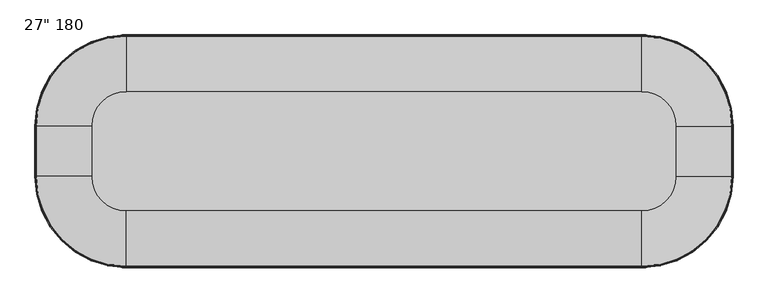
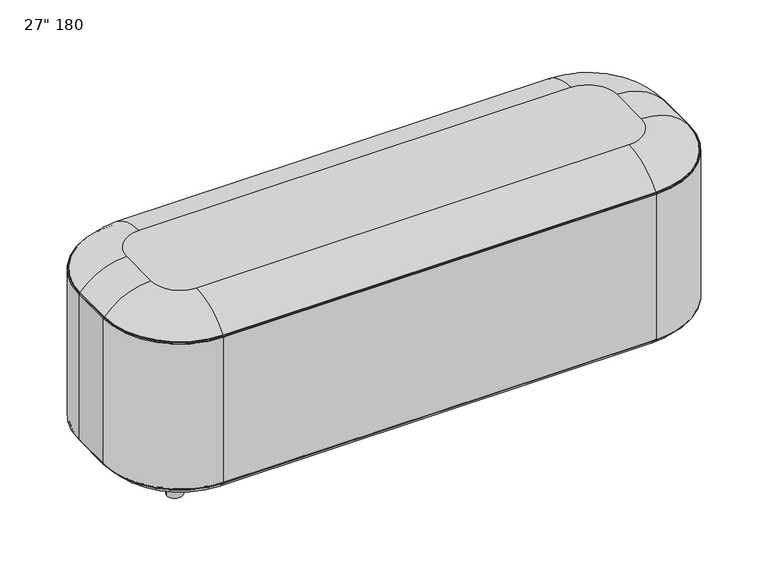
"""IFC4 building model written with IfcOpenShell, lengths in millimetres: furniture geometry."""

from ifc_helpers import new_model, si_unit, point, frame, frame_2d, origin, origin_with_axes, place, context, project, spatial, polyline, circle_curve, ellipse_curve, trimmed, segment, composite_curve, outline, extrude, source, transform, mapped, element, save
from ifc_brep_helpers import plane_surface, cylinder_surface, revolved_surface, advanced_brep


def furniture_072949c8(model_context):
    return source(origin(), model_context, "Body", "SolidModel", [
        extrude(outline(composite_curve([segment(trimmed(circle_curve(frame_2d((196.85, -196.85)), 24.13), [point((172.72, -196.85))], [point((220.98, -196.85))], False, "CARTESIAN"), True, "CONTINUOUS"), segment(trimmed(circle_curve(frame_2d((196.85, -196.85)), 24.13), [point((220.98, -196.85))], [point((172.72, -196.85))], False, "CARTESIAN"), True, "CONTINUOUS")], self_intersect=False)), origin_with_axes(), (0.0, 0.0, 1.0), 68.8975487),
        extrude(outline(composite_curve([segment(trimmed(circle_curve(frame_2d((196.85, -403.098)), 24.13), [point((172.72, -403.098))], [point((220.98, -403.098))], False, "CARTESIAN"), True, "CONTINUOUS"), segment(trimmed(circle_curve(frame_2d((196.85, -403.098)), 24.13), [point((220.98, -403.098))], [point((172.72, -403.098))], False, "CARTESIAN"), True, "CONTINUOUS")], self_intersect=False)), origin_with_axes(), (0.0, 0.0, 1.0), 68.8975487),
        extrude(outline(composite_curve([segment(trimmed(circle_curve(frame_2d((1603.248, -196.85)), 24.13), [point((1579.118, -196.85))], [point((1627.378, -196.85))], False, "CARTESIAN"), True, "CONTINUOUS"), segment(trimmed(circle_curve(frame_2d((1603.248, -196.85)), 24.13), [point((1627.378, -196.85))], [point((1579.118, -196.85))], False, "CARTESIAN"), True, "CONTINUOUS")], self_intersect=False)), origin_with_axes(), (0.0, 0.0, 1.0), 68.8975487),
        extrude(outline(composite_curve([segment(trimmed(circle_curve(frame_2d((1603.248, -403.098)), 24.13), [point((1579.118, -403.098))], [point((1627.378, -403.098))], False, "CARTESIAN"), True, "CONTINUOUS"), segment(trimmed(circle_curve(frame_2d((1603.248, -403.098)), 24.13), [point((1627.378, -403.098))], [point((1579.118, -403.098))], False, "CARTESIAN"), True, "CONTINUOUS")], self_intersect=False)), origin_with_axes(), (0.0, 0.0, 1.0), 68.8975487),
        advanced_brep(
        [(1796.5973394, -234.95, 617.8072201), (1565.148, -3.5006606, 617.8072201), (1565.148, -146.05, 685.038), (1654.048, -234.95, 685.038), (1797.1296293, -234.95, 615.7012334), (1565.148, -2.9683707, 615.7012334), (1798.3871339, -234.95, 614.6247357), (1565.148, -1.7108661, 614.6247357), (1800.098, -234.95, 613.4267743), (1565.148, 0.0, 613.4267743), (1800.098, -234.95, 140.5087743), (1565.148, 0.0, 140.5087743), (1798.3871339, -234.95, 139.310813), (1565.148, -1.7108661, 139.310813), (1797.1296293, -234.95, 138.2343153), (1565.148, -2.9683707, 138.2343153), (1796.5973394, -234.95, 136.1283286), (1565.148, -3.5006606, 136.1283286), (1654.048, -234.95, 68.8975487), (1565.148, -146.05, 68.8975487), (1654.048, -364.998, 685.038), (1796.5973394, -364.998, 617.8072201), (1797.1296293, -364.998, 615.7012334), (1798.3871339, -364.998, 614.6247357), (1800.098, -364.998, 613.4267743), (1800.098, -364.998, 140.5087743), (1798.3871339, -364.998, 139.310813), (1797.1296293, -364.998, 138.2343153), (1796.5973394, -364.998, 136.1283286), (1654.048, -364.998, 68.8975487), (1565.148, -453.898, 685.038), (1565.148, -596.4473394, 617.8072201), (1565.148, -596.9796293, 615.7012334), (1565.148, -598.2371339, 614.6247357), (1565.148, -599.948, 613.4267743), (1565.148, -599.948, 140.5087743), (1565.148, -598.2371339, 139.310813), (1565.148, -596.9796293, 138.2343153), (1565.148, -596.4473394, 136.1283286), (1565.148, -453.898, 68.8975487), (234.95, -453.898, 685.038), (234.95, -596.4473394, 617.8072201), (234.95, -596.9796293, 615.7012334), (234.95, -598.2371339, 614.6247357), (234.95, -599.948, 613.4267743), (234.95, -599.948, 140.5087743), (234.95, -598.2371339, 139.310813), (234.95, -596.9796293, 138.2343153), (234.95, -596.4473394, 136.1283286), (234.95, -453.898, 68.8975487), (146.05, -364.998, 685.038), (3.5006606, -364.998, 617.8072201), (2.9683707, -364.998, 615.7012334), (1.7108661, -364.998, 614.6247357), (0.0, -364.998, 613.4267743), (0.0, -364.998, 140.5087743), (1.7108661, -364.998, 139.310813), (2.9683707, -364.998, 138.2343153), (3.5006606, -364.998, 136.1283286), (146.05, -364.998, 68.8975487), (146.05, -234.95, 685.038), (3.5006606, -234.95, 617.8072201), (2.9683707, -234.95, 615.7012334), (1.7108661, -234.95, 614.6247357), (0.0, -234.95, 613.4267743), (0.0, -234.95, 140.5087743), (1.7108661, -234.95, 139.310813), (2.9683707, -234.95, 138.2343153), (3.5006606, -234.95, 136.1283286), (146.05, -234.95, 68.8975487), (234.95, -146.05, 685.038), (234.95, -3.5006606, 617.8072201), (234.95, -2.9683707, 615.7012334), (234.95, -1.7108661, 614.6247357), (234.95, 0.0, 613.4267743), (234.95, 0.0, 140.5087743), (234.95, -1.7108661, 139.310813), (234.95, -2.9683707, 138.2343153), (234.95, -3.5006606, 136.1283286), (234.95, -146.05, 68.8975487)],
        [
            (0, 1, circle_curve(frame((1565.148, -234.95, 617.8072201), z_axis=(0.0, 0.0, 1.0), x_axis=(0.0, 1.0, 0.0)), 231.4493394)),
            (1, 2, circle_curve(frame((1565.148, -146.05, 500.299016), z_axis=(1.0, 0.0, 0.0), x_axis=(0.0, 1.0, 0.0)), 184.738984)),
            (2, 3, circle_curve(frame((1565.148, -234.95, 685.038), z_axis=(0.0, 0.0, -1.0), x_axis=(0.0, 1.0, 0.0)), 88.9)),
            (3, 0, circle_curve(frame((1654.048, -234.95, 500.299016), z_axis=(0.0, 1.0, 0.0), x_axis=(1.0, 0.0, 0.0)), 184.738984)),
            (0, 4, circle_curve(frame((1794.6374103, -234.95, 616.1915847), z_axis=(0.0, 1.0, 0.0), x_axis=(1.0, 0.0, 0.0)), 2.54)),
            (4, 5, circle_curve(frame((1565.148, -234.95, 615.7012334), z_axis=(0.0, 0.0, 1.0), x_axis=(0.0, 1.0, 0.0)), 231.9816293)),
            (5, 1, circle_curve(frame((1565.148, -5.4605897, 616.1915847), z_axis=(1.0, 0.0, 0.0), x_axis=(0.0, 1.0, 0.0)), 2.54)),
            (4, 6, circle_curve(frame((1798.0620968, -234.95, 615.5177677), z_axis=(0.0, -1.0, 0.0), x_axis=(1.0, 0.0, 0.0)), 0.9503448)),
            (6, 7, circle_curve(frame((1565.148, -234.95, 614.6247357), z_axis=(0.0, 0.0, 1.0), x_axis=(0.0, 1.0, 0.0)), 233.2391339)),
            (7, 5, circle_curve(frame((1565.148, -2.0359032, 615.5177677), z_axis=(-1.0, 0.0, 0.0), x_axis=(0.0, 1.0, 0.0)), 0.9503448)),
            (6, 8, circle_curve(frame((1798.8231561, -234.95, 613.4267743), z_axis=(0.0, 1.0, 0.0), x_axis=(1.0, 0.0, 0.0)), 1.2748439)),
            (8, 9, circle_curve(frame((1565.148, -234.95, 613.4267743), z_axis=(0.0, 0.0, 1.0), x_axis=(0.0, 1.0, 0.0)), 234.95)),
            (9, 7, circle_curve(frame((1565.148, -1.2748439, 613.4267743), z_axis=(1.0, 0.0, 0.0), x_axis=(0.0, 1.0, 0.0)), 1.2748439)),
            (8, 10),
            (10, 11, circle_curve(frame((1565.148, -234.95, 140.5087743), z_axis=(0.0, 0.0, 1.0), x_axis=(0.0, 1.0, 0.0)), 234.95)),
            (11, 9),
            (10, 12, circle_curve(frame((1798.8231561, -234.95, 140.5087743), z_axis=(0.0, 1.0, 0.0), x_axis=(1.0, 0.0, 0.0)), 1.2748439)),
            (12, 13, circle_curve(frame((1565.148, -234.95, 139.310813), z_axis=(0.0, 0.0, 1.0), x_axis=(0.0, 1.0, 0.0)), 233.2391339)),
            (13, 11, circle_curve(frame((1565.148, -1.2748439, 140.5087743), z_axis=(1.0, 0.0, 0.0), x_axis=(0.0, 1.0, 0.0)), 1.2748439)),
            (12, 14, circle_curve(frame((1798.0620968, -234.95, 138.4177809), z_axis=(0.0, -1.0, 0.0), x_axis=(1.0, 0.0, 0.0)), 0.9503448)),
            (14, 15, circle_curve(frame((1565.148, -234.95, 138.2343153), z_axis=(0.0, 0.0, 1.0), x_axis=(0.0, 1.0, 0.0)), 231.9816293)),
            (15, 13, circle_curve(frame((1565.148, -2.0359032, 138.4177809), z_axis=(-1.0, 0.0, 0.0), x_axis=(0.0, 1.0, 0.0)), 0.9503448)),
            (14, 16, circle_curve(frame((1794.6374103, -234.95, 137.743964), z_axis=(0.0, 1.0, 0.0), x_axis=(1.0, 0.0, 0.0)), 2.54)),
            (16, 17, circle_curve(frame((1565.148, -234.95, 136.1283286), z_axis=(0.0, 0.0, 1.0), x_axis=(0.0, 1.0, 0.0)), 231.4493394)),
            (17, 15, circle_curve(frame((1565.148, -5.4605897, 137.743964), z_axis=(1.0, 0.0, 0.0), x_axis=(0.0, 1.0, 0.0)), 2.54)),
            (16, 18, circle_curve(frame((1654.048, -234.95, 253.6365327), z_axis=(0.0, 1.0, 0.0), x_axis=(1.0, 0.0, 0.0)), 184.738984)),
            (18, 19, circle_curve(frame((1565.148, -234.95, 68.8975487), z_axis=(0.0, 0.0, 1.0), x_axis=(0.0, 1.0, 0.0)), 88.9)),
            (19, 17, circle_curve(frame((1565.148, -146.05, 253.6365327), z_axis=(1.0, 0.0, 0.0), x_axis=(0.0, 1.0, 0.0)), 184.738984)),
            (3, 20),
            (20, 21, circle_curve(frame((1654.048, -364.998, 500.299016), z_axis=(0.0, 1.0, 0.0), x_axis=(1.0, 0.0, 0.0)), 184.738984)),
            (21, 0),
            (21, 22, circle_curve(frame((1794.6374103, -364.998, 616.1915847), z_axis=(0.0, 1.0, 0.0), x_axis=(1.0, 0.0, 0.0)), 2.54)),
            (22, 4),
            (22, 23, circle_curve(frame((1798.0620968, -364.998, 615.5177677), z_axis=(0.0, -1.0, 0.0), x_axis=(1.0, 0.0, 0.0)), 0.9503448)),
            (23, 6),
            (23, 24, circle_curve(frame((1798.8231561, -364.998, 613.4267743), z_axis=(0.0, 1.0, 0.0), x_axis=(1.0, 0.0, 0.0)), 1.2748439)),
            (24, 8),
            (24, 25),
            (25, 10),
            (25, 26, circle_curve(frame((1798.8231561, -364.998, 140.5087743), z_axis=(0.0, 1.0, 0.0), x_axis=(1.0, 0.0, 0.0)), 1.2748439)),
            (26, 12),
            (26, 27, circle_curve(frame((1798.0620968, -364.998, 138.4177809), z_axis=(0.0, -1.0, 0.0), x_axis=(1.0, 0.0, 0.0)), 0.9503448)),
            (27, 14),
            (27, 28, circle_curve(frame((1794.6374103, -364.998, 137.743964), z_axis=(0.0, 1.0, 0.0), x_axis=(1.0, 0.0, 0.0)), 2.54)),
            (28, 16),
            (28, 29, circle_curve(frame((1654.048, -364.998, 253.6365327), z_axis=(0.0, 1.0, 0.0), x_axis=(1.0, 0.0, 0.0)), 184.738984)),
            (29, 18),
            (20, 30, circle_curve(frame((1565.148, -364.998, 685.038), z_axis=(0.0, 0.0, -1.0), x_axis=(1.0, 0.0, 0.0)), 88.9)),
            (30, 31, circle_curve(frame((1565.148, -453.898, 500.299016), z_axis=(1.0, 0.0, 0.0), x_axis=(0.0, -1.0, 0.0)), 184.738984)),
            (31, 21, circle_curve(frame((1565.148, -364.998, 617.8072201), z_axis=(0.0, 0.0, 1.0), x_axis=(1.0, 0.0, 0.0)), 231.4493394)),
            (31, 32, circle_curve(frame((1565.148, -594.4874103, 616.1915847), z_axis=(1.0, 0.0, 0.0), x_axis=(0.0, -1.0, 0.0)), 2.54)),
            (32, 22, circle_curve(frame((1565.148, -364.998, 615.7012334), z_axis=(0.0, 0.0, 1.0), x_axis=(1.0, 0.0, 0.0)), 231.9816293)),
            (32, 33, circle_curve(frame((1565.148, -597.9120968, 615.5177677), z_axis=(-1.0, 0.0, 0.0), x_axis=(0.0, -1.0, 0.0)), 0.9503448)),
            (33, 23, circle_curve(frame((1565.148, -364.998, 614.6247357), z_axis=(0.0, 0.0, 1.0), x_axis=(1.0, 0.0, 0.0)), 233.2391339)),
            (33, 34, circle_curve(frame((1565.148, -598.6731561, 613.4267743), z_axis=(1.0, 0.0, 0.0), x_axis=(0.0, -1.0, 0.0)), 1.2748439)),
            (34, 24, circle_curve(frame((1565.148, -364.998, 613.4267743), z_axis=(0.0, 0.0, 1.0), x_axis=(1.0, 0.0, 0.0)), 234.95)),
            (34, 35),
            (35, 25, circle_curve(frame((1565.148, -364.998, 140.5087743), z_axis=(0.0, 0.0, 1.0), x_axis=(1.0, 0.0, 0.0)), 234.95)),
            (35, 36, circle_curve(frame((1565.148, -598.6731561, 140.5087743), z_axis=(1.0, 0.0, 0.0), x_axis=(0.0, -1.0, 0.0)), 1.2748439)),
            (36, 26, circle_curve(frame((1565.148, -364.998, 139.310813), z_axis=(0.0, 0.0, 1.0), x_axis=(1.0, 0.0, 0.0)), 233.2391339)),
            (36, 37, circle_curve(frame((1565.148, -597.9120968, 138.4177809), z_axis=(-1.0, 0.0, 0.0), x_axis=(0.0, -1.0, 0.0)), 0.9503448)),
            (37, 27, circle_curve(frame((1565.148, -364.998, 138.2343153), z_axis=(0.0, 0.0, 1.0), x_axis=(1.0, 0.0, 0.0)), 231.9816293)),
            (37, 38, circle_curve(frame((1565.148, -594.4874103, 137.743964), z_axis=(1.0, 0.0, 0.0), x_axis=(0.0, -1.0, 0.0)), 2.54)),
            (38, 28, circle_curve(frame((1565.148, -364.998, 136.1283286), z_axis=(0.0, 0.0, 1.0), x_axis=(1.0, 0.0, 0.0)), 231.4493394)),
            (38, 39, circle_curve(frame((1565.148, -453.898, 253.6365327), z_axis=(1.0, 0.0, 0.0), x_axis=(0.0, -1.0, 0.0)), 184.738984)),
            (39, 29, circle_curve(frame((1565.148, -364.998, 68.8975487), z_axis=(0.0, 0.0, 1.0), x_axis=(1.0, 0.0, 0.0)), 88.9)),
            (30, 40),
            (40, 41, circle_curve(frame((234.95, -453.898, 500.299016), z_axis=(1.0, 0.0, 0.0), x_axis=(0.0, -1.0, 0.0)), 184.738984)),
            (41, 31),
            (41, 42, circle_curve(frame((234.95, -594.4874103, 616.1915847), z_axis=(1.0, 0.0, 0.0), x_axis=(0.0, -1.0, 0.0)), 2.54)),
            (42, 32),
            (42, 43, circle_curve(frame((234.95, -597.9120968, 615.5177677), z_axis=(-1.0, 0.0, 0.0), x_axis=(0.0, -1.0, 0.0)), 0.9503448)),
            (43, 33),
            (43, 44, circle_curve(frame((234.95, -598.6731561, 613.4267743), z_axis=(1.0, 0.0, 0.0), x_axis=(0.0, -1.0, 0.0)), 1.2748439)),
            (44, 34),
            (44, 45),
            (45, 35),
            (45, 46, circle_curve(frame((234.95, -598.6731561, 140.5087743), z_axis=(1.0, 0.0, 0.0), x_axis=(0.0, -1.0, 0.0)), 1.2748439)),
            (46, 36),
            (46, 47, circle_curve(frame((234.95, -597.9120968, 138.4177809), z_axis=(-1.0, 0.0, 0.0), x_axis=(0.0, -1.0, 0.0)), 0.9503448)),
            (47, 37),
            (47, 48, circle_curve(frame((234.95, -594.4874103, 137.743964), z_axis=(1.0, 0.0, 0.0), x_axis=(0.0, -1.0, 0.0)), 2.54)),
            (48, 38),
            (48, 49, circle_curve(frame((234.95, -453.898, 253.6365327), z_axis=(1.0, 0.0, 0.0), x_axis=(0.0, -1.0, 0.0)), 184.738984)),
            (49, 39),
            (40, 50, circle_curve(frame((234.95, -364.998, 685.038), z_axis=(0.0, 0.0, -1.0), x_axis=(0.0, -1.0, 0.0)), 88.9)),
            (50, 51, circle_curve(frame((146.05, -364.998, 500.299016), z_axis=(0.0, -1.0, 0.0), x_axis=(-1.0, 0.0, 0.0)), 184.738984)),
            (51, 41, circle_curve(frame((234.95, -364.998, 617.8072201), z_axis=(0.0, 0.0, 1.0), x_axis=(0.0, -1.0, 0.0)), 231.4493394)),
            (51, 52, circle_curve(frame((5.4605897, -364.998, 616.1915847), z_axis=(0.0, -1.0, 0.0), x_axis=(-1.0, 0.0, 0.0)), 2.54)),
            (52, 42, circle_curve(frame((234.95, -364.998, 615.7012334), z_axis=(0.0, 0.0, 1.0), x_axis=(0.0, -1.0, 0.0)), 231.9816293)),
            (52, 53, circle_curve(frame((2.0359032, -364.998, 615.5177677), z_axis=(0.0, 1.0, 0.0), x_axis=(-1.0, 0.0, 0.0)), 0.9503448)),
            (53, 43, circle_curve(frame((234.95, -364.998, 614.6247357), z_axis=(0.0, 0.0, 1.0), x_axis=(0.0, -1.0, 0.0)), 233.2391339)),
            (53, 54, circle_curve(frame((1.2748439, -364.998, 613.4267743), z_axis=(0.0, -1.0, 0.0), x_axis=(-1.0, 0.0, 0.0)), 1.2748439)),
            (54, 44, circle_curve(frame((234.95, -364.998, 613.4267743), z_axis=(0.0, 0.0, 1.0), x_axis=(0.0, -1.0, 0.0)), 234.95)),
            (54, 55),
            (55, 45, circle_curve(frame((234.95, -364.998, 140.5087743), z_axis=(0.0, 0.0, 1.0), x_axis=(0.0, -1.0, 0.0)), 234.95)),
            (55, 56, circle_curve(frame((1.2748439, -364.998, 140.5087743), z_axis=(0.0, -1.0, 0.0), x_axis=(-1.0, 0.0, 0.0)), 1.2748439)),
            (56, 46, circle_curve(frame((234.95, -364.998, 139.310813), z_axis=(0.0, 0.0, 1.0), x_axis=(0.0, -1.0, 0.0)), 233.2391339)),
            (56, 57, circle_curve(frame((2.0359032, -364.998, 138.4177809), z_axis=(0.0, 1.0, 0.0), x_axis=(-1.0, 0.0, 0.0)), 0.9503448)),
            (57, 47, circle_curve(frame((234.95, -364.998, 138.2343153), z_axis=(0.0, 0.0, 1.0), x_axis=(0.0, -1.0, 0.0)), 231.9816293)),
            (57, 58, circle_curve(frame((5.4605897, -364.998, 137.743964), z_axis=(0.0, -1.0, 0.0), x_axis=(-1.0, 0.0, 0.0)), 2.54)),
            (58, 48, circle_curve(frame((234.95, -364.998, 136.1283286), z_axis=(0.0, 0.0, 1.0), x_axis=(0.0, -1.0, 0.0)), 231.4493394)),
            (58, 59, circle_curve(frame((146.05, -364.998, 253.6365327), z_axis=(0.0, -1.0, 0.0), x_axis=(-1.0, 0.0, 0.0)), 184.738984)),
            (59, 49, circle_curve(frame((234.95, -364.998, 68.8975487), z_axis=(0.0, 0.0, 1.0), x_axis=(0.0, -1.0, 0.0)), 88.9)),
            (50, 60),
            (60, 61, circle_curve(frame((146.05, -234.95, 500.299016), z_axis=(0.0, -1.0, 0.0), x_axis=(-1.0, 0.0, 0.0)), 184.738984)),
            (61, 51),
            (61, 62, circle_curve(frame((5.4605897, -234.95, 616.1915847), z_axis=(0.0, -1.0, 0.0), x_axis=(-1.0, 0.0, 0.0)), 2.54)),
            (62, 52),
            (62, 63, circle_curve(frame((2.0359032, -234.95, 615.5177677), z_axis=(0.0, 1.0, 0.0), x_axis=(-1.0, 0.0, 0.0)), 0.9503448)),
            (63, 53),
            (63, 64, circle_curve(frame((1.2748439, -234.95, 613.4267743), z_axis=(0.0, -1.0, 0.0), x_axis=(-1.0, 0.0, 0.0)), 1.2748439)),
            (64, 54),
            (64, 65),
            (65, 55),
            (65, 66, circle_curve(frame((1.2748439, -234.95, 140.5087743), z_axis=(0.0, -1.0, 0.0), x_axis=(-1.0, 0.0, 0.0)), 1.2748439)),
            (66, 56),
            (66, 67, circle_curve(frame((2.0359032, -234.95, 138.4177809), z_axis=(0.0, 1.0, 0.0), x_axis=(-1.0, 0.0, 0.0)), 0.9503448)),
            (67, 57),
            (67, 68, circle_curve(frame((5.4605897, -234.95, 137.743964), z_axis=(0.0, -1.0, 0.0), x_axis=(-1.0, 0.0, 0.0)), 2.54)),
            (68, 58),
            (68, 69, circle_curve(frame((146.05, -234.95, 253.6365327), z_axis=(0.0, -1.0, 0.0), x_axis=(-1.0, 0.0, 0.0)), 184.738984)),
            (69, 59),
            (60, 70, circle_curve(frame((234.95, -234.95, 685.038), z_axis=(0.0, 0.0, -1.0), x_axis=(-1.0, 0.0, 0.0)), 88.9)),
            (70, 71, circle_curve(frame((234.95, -146.05, 500.299016), z_axis=(-1.0, 0.0, 0.0), x_axis=(0.0, 1.0, 0.0)), 184.738984)),
            (71, 61, circle_curve(frame((234.95, -234.95, 617.8072201), z_axis=(0.0, 0.0, 1.0), x_axis=(-1.0, 0.0, 0.0)), 231.4493394)),
            (71, 72, circle_curve(frame((234.95, -5.4605897, 616.1915847), z_axis=(-1.0, 0.0, 0.0), x_axis=(0.0, 1.0, 0.0)), 2.54)),
            (72, 62, circle_curve(frame((234.95, -234.95, 615.7012334), z_axis=(0.0, 0.0, 1.0), x_axis=(-1.0, 0.0, 0.0)), 231.9816293)),
            (72, 73, circle_curve(frame((234.95, -2.0359032, 615.5177677), z_axis=(1.0, 0.0, 0.0), x_axis=(0.0, 1.0, 0.0)), 0.9503448)),
            (73, 63, circle_curve(frame((234.95, -234.95, 614.6247357), z_axis=(0.0, 0.0, 1.0), x_axis=(-1.0, 0.0, 0.0)), 233.2391339)),
            (73, 74, circle_curve(frame((234.95, -1.2748439, 613.4267743), z_axis=(-1.0, 0.0, 0.0), x_axis=(0.0, 1.0, 0.0)), 1.2748439)),
            (74, 64, circle_curve(frame((234.95, -234.95, 613.4267743), z_axis=(0.0, 0.0, 1.0), x_axis=(-1.0, 0.0, 0.0)), 234.95)),
            (74, 75),
            (75, 65, circle_curve(frame((234.95, -234.95, 140.5087743), z_axis=(0.0, 0.0, 1.0), x_axis=(-1.0, 0.0, 0.0)), 234.95)),
            (75, 76, circle_curve(frame((234.95, -1.2748439, 140.5087743), z_axis=(-1.0, 0.0, 0.0), x_axis=(0.0, 1.0, 0.0)), 1.2748439)),
            (76, 66, circle_curve(frame((234.95, -234.95, 139.310813), z_axis=(0.0, 0.0, 1.0), x_axis=(-1.0, 0.0, 0.0)), 233.2391339)),
            (76, 77, circle_curve(frame((234.95, -2.0359032, 138.4177809), z_axis=(1.0, 0.0, 0.0), x_axis=(0.0, 1.0, 0.0)), 0.9503448)),
            (77, 67, circle_curve(frame((234.95, -234.95, 138.2343153), z_axis=(0.0, 0.0, 1.0), x_axis=(-1.0, 0.0, 0.0)), 231.9816293)),
            (77, 78, circle_curve(frame((234.95, -5.4605897, 137.743964), z_axis=(-1.0, 0.0, 0.0), x_axis=(0.0, 1.0, 0.0)), 2.54)),
            (78, 68, circle_curve(frame((234.95, -234.95, 136.1283286), z_axis=(0.0, 0.0, 1.0), x_axis=(-1.0, 0.0, 0.0)), 231.4493394)),
            (78, 79, circle_curve(frame((234.95, -146.05, 253.6365327), z_axis=(-1.0, 0.0, 0.0), x_axis=(0.0, 1.0, 0.0)), 184.738984)),
            (79, 69, circle_curve(frame((234.95, -234.95, 68.8975487), z_axis=(0.0, 0.0, 1.0), x_axis=(-1.0, 0.0, 0.0)), 88.9)),
            (2, 70),
            (1, 71),
            (5, 72),
            (7, 73),
            (9, 74),
            (11, 75),
            (13, 76),
            (15, 77),
            (17, 78),
            (19, 79),
        ],
        [
            revolved_surface(trimmed(ellipse_curve(frame((1565.148, -146.05, 500.299016), z_axis=(-1.0, 0.0, 0.0), x_axis=(0.0, 1.0, 0.0)), 184.738984, 184.738984), [point((1565.148, -146.05, 685.038))], [point((1565.148, -3.5006606, 617.8072201))], True, "CARTESIAN"), (1565.148, -234.95, 0.0), (0.0, 0.0, -1.0)),
            revolved_surface(trimmed(ellipse_curve(frame((1565.148, -5.4605897, 616.1915847), z_axis=(-1.0, 0.0, 0.0), x_axis=(0.0, 1.0, 0.0)), 2.54, 2.54), [point((1565.148, -3.5006606, 617.8072201))], [point((1565.148, -2.9683707, 615.7012334))], True, "CARTESIAN"), (1565.148, -234.95, 0.0), (0.0, 0.0, -1.0)),
            revolved_surface(trimmed(ellipse_curve(frame((1565.148, -2.0359032, 615.5177677), z_axis=(1.0, 0.0, 0.0), x_axis=(0.0, 1.0, 0.0)), 0.9503448, 0.9503448), [point((1565.148, -2.9683707, 615.7012334))], [point((1565.148, -1.7108661, 614.6247357))], True, "CARTESIAN"), (1565.148, -234.95, 0.0), (0.0, 0.0, -1.0)),
            revolved_surface(trimmed(ellipse_curve(frame((1565.148, -1.2748439, 613.4267743), z_axis=(-1.0, 0.0, 0.0), x_axis=(0.0, 1.0, 0.0)), 1.2748439, 1.2748439), [point((1565.148, -1.7108661, 614.6247357))], [point((1565.148, 0.0, 613.4267743))], True, "CARTESIAN"), (1565.148, -234.95, 0.0), (0.0, 0.0, -1.0)),
            cylinder_surface(frame((1565.148, -234.95, 0.0), z_axis=(0.0, 0.0, -1.0), x_axis=(0.0, 1.0, 0.0)), 234.95),
            revolved_surface(trimmed(ellipse_curve(frame((1565.148, -1.2748439, 140.5087743), z_axis=(-1.0, 0.0, 0.0), x_axis=(0.0, 1.0, 0.0)), 1.2748439, 1.2748439), [point((1565.148, 0.0, 140.5087743))], [point((1565.148, -1.7108661, 139.310813))], True, "CARTESIAN"), (1565.148, -234.95, 0.0), (0.0, 0.0, -1.0)),
            revolved_surface(trimmed(ellipse_curve(frame((1565.148, -2.0359032, 138.4177809), z_axis=(1.0, 0.0, 0.0), x_axis=(0.0, 1.0, 0.0)), 0.9503448, 0.9503448), [point((1565.148, -1.7108661, 139.310813))], [point((1565.148, -2.9683707, 138.2343153))], True, "CARTESIAN"), (1565.148, -234.95, 0.0), (0.0, 0.0, -1.0)),
            revolved_surface(trimmed(ellipse_curve(frame((1565.148, -5.4605897, 137.743964), z_axis=(-1.0, 0.0, 0.0), x_axis=(0.0, 1.0, 0.0)), 2.54, 2.54), [point((1565.148, -2.9683707, 138.2343153))], [point((1565.148, -3.5006606, 136.1283286))], True, "CARTESIAN"), (1565.148, -234.95, 0.0), (0.0, 0.0, -1.0)),
            revolved_surface(trimmed(ellipse_curve(frame((1565.148, -146.05, 253.6365327), z_axis=(-1.0, 0.0, 0.0), x_axis=(0.0, 1.0, 0.0)), 184.738984, 184.738984), [point((1565.148, -3.5006606, 136.1283286))], [point((1565.148, -146.05, 68.8975487))], True, "CARTESIAN"), (1565.148, -234.95, 0.0), (0.0, 0.0, -1.0)),
            cylinder_surface(frame((1654.048, -234.95, 500.299016), z_axis=(0.0, 1.0, 0.0), x_axis=(1.0, 0.0, 0.0)), 184.738984),
            cylinder_surface(frame((1794.6374103, -234.95, 616.1915847), z_axis=(0.0, 1.0, 0.0), x_axis=(1.0, 0.0, 0.0)), 2.54),
            revolved_surface(polyline([(1799.0124416, -364.998, 615.5177677), (1799.0124416, -234.95, 615.5177677)]), (1798.0620968, -234.95, 615.5177677), (0.0, -1.0, 0.0)),
            cylinder_surface(frame((1798.8231561, -234.95, 613.4267743), z_axis=(0.0, 1.0, 0.0), x_axis=(1.0, 0.0, 0.0)), 1.2748439),
            plane_surface(frame((1800.098, -234.95, 613.4267743), z_axis=(1.0, 0.0, 0.0), x_axis=(0.0, -1.0, 0.0))),
            cylinder_surface(frame((1798.8231561, -234.95, 140.5087743), z_axis=(0.0, 1.0, 0.0), x_axis=(1.0, 0.0, 0.0)), 1.2748439),
            revolved_surface(polyline([(1799.0124416, -364.998, 138.4177809), (1799.0124416, -234.95, 138.4177809)]), (1798.0620968, -234.95, 138.4177809), (0.0, -1.0, 0.0)),
            cylinder_surface(frame((1794.6374103, -234.95, 137.743964), z_axis=(0.0, 1.0, 0.0), x_axis=(1.0, 0.0, 0.0)), 2.54),
            cylinder_surface(frame((1654.048, -234.95, 253.6365327), z_axis=(0.0, 1.0, 0.0), x_axis=(1.0, 0.0, 0.0)), 184.738984),
            revolved_surface(trimmed(ellipse_curve(frame((1654.048, -364.998, 500.299016), z_axis=(0.0, 1.0, 0.0), x_axis=(1.0, 0.0, 0.0)), 184.738984, 184.738984), [point((1654.048, -364.998, 685.038))], [point((1796.5973394, -364.998, 617.8072201))], True, "CARTESIAN"), (1565.148, -364.998, 0.0), (0.0, 0.0, -1.0)),
            revolved_surface(trimmed(ellipse_curve(frame((1794.6374103, -364.998, 616.1915847), z_axis=(0.0, 1.0, 0.0), x_axis=(1.0, 0.0, 0.0)), 2.54, 2.54), [point((1796.5973394, -364.998, 617.8072201))], [point((1797.1296293, -364.998, 615.7012334))], True, "CARTESIAN"), (1565.148, -364.998, 0.0), (0.0, 0.0, -1.0)),
            revolved_surface(trimmed(ellipse_curve(frame((1798.0620968, -364.998, 615.5177677), z_axis=(0.0, -1.0, 0.0), x_axis=(1.0, 0.0, 0.0)), 0.9503448, 0.9503448), [point((1797.1296293, -364.998, 615.7012334))], [point((1798.3871339, -364.998, 614.6247357))], True, "CARTESIAN"), (1565.148, -364.998, 0.0), (0.0, 0.0, -1.0)),
            revolved_surface(trimmed(ellipse_curve(frame((1798.8231561, -364.998, 613.4267743), z_axis=(0.0, 1.0, 0.0), x_axis=(1.0, 0.0, 0.0)), 1.2748439, 1.2748439), [point((1798.3871339, -364.998, 614.6247357))], [point((1800.098, -364.998, 613.4267743))], True, "CARTESIAN"), (1565.148, -364.998, 0.0), (0.0, 0.0, -1.0)),
            cylinder_surface(frame((1565.148, -364.998, 0.0), z_axis=(0.0, 0.0, -1.0), x_axis=(1.0, 0.0, 0.0)), 234.95),
            revolved_surface(trimmed(ellipse_curve(frame((1798.8231561, -364.998, 140.5087743), z_axis=(0.0, 1.0, 0.0), x_axis=(1.0, 0.0, 0.0)), 1.2748439, 1.2748439), [point((1800.098, -364.998, 140.5087743))], [point((1798.3871339, -364.998, 139.310813))], True, "CARTESIAN"), (1565.148, -364.998, 0.0), (0.0, 0.0, -1.0)),
            revolved_surface(trimmed(ellipse_curve(frame((1798.0620968, -364.998, 138.4177809), z_axis=(0.0, -1.0, 0.0), x_axis=(1.0, 0.0, 0.0)), 0.9503448, 0.9503448), [point((1798.3871339, -364.998, 139.310813))], [point((1797.1296293, -364.998, 138.2343153))], True, "CARTESIAN"), (1565.148, -364.998, 0.0), (0.0, 0.0, -1.0)),
            revolved_surface(trimmed(ellipse_curve(frame((1794.6374103, -364.998, 137.743964), z_axis=(0.0, 1.0, 0.0), x_axis=(1.0, 0.0, 0.0)), 2.54, 2.54), [point((1797.1296293, -364.998, 138.2343153))], [point((1796.5973394, -364.998, 136.1283286))], True, "CARTESIAN"), (1565.148, -364.998, 0.0), (0.0, 0.0, -1.0)),
            revolved_surface(trimmed(ellipse_curve(frame((1654.048, -364.998, 253.6365327), z_axis=(0.0, 1.0, 0.0), x_axis=(1.0, 0.0, 0.0)), 184.738984, 184.738984), [point((1796.5973394, -364.998, 136.1283286))], [point((1654.048, -364.998, 68.8975487))], True, "CARTESIAN"), (1565.148, -364.998, 0.0), (0.0, 0.0, -1.0)),
            cylinder_surface(frame((1565.148, -453.898, 500.299016), z_axis=(1.0, 0.0, 0.0), x_axis=(0.0, -1.0, 0.0)), 184.738984),
            cylinder_surface(frame((1565.148, -594.4874103, 616.1915847), z_axis=(1.0, 0.0, 0.0), x_axis=(0.0, -1.0, 0.0)), 2.54),
            revolved_surface(polyline([(234.95000000000005, -598.8624416, 615.5177677), (1565.148, -598.8624416, 615.5177677)]), (1565.148, -597.9120968, 615.5177677), (-1.0, 0.0, 0.0)),
            cylinder_surface(frame((1565.148, -598.6731561, 613.4267743), z_axis=(1.0, 0.0, 0.0), x_axis=(0.0, -1.0, 0.0)), 1.2748439),
            plane_surface(frame((1565.148, -599.948, 613.4267743), z_axis=(0.0, -1.0, 0.0), x_axis=(-1.0, 0.0, 0.0))),
            cylinder_surface(frame((1565.148, -598.6731561, 140.5087743), z_axis=(1.0, 0.0, 0.0), x_axis=(0.0, -1.0, 0.0)), 1.2748439),
            revolved_surface(polyline([(234.95000000000005, -598.8624416, 138.4177809), (1565.148, -598.8624416, 138.4177809)]), (1565.148, -597.9120968, 138.4177809), (-1.0, 0.0, 0.0)),
            cylinder_surface(frame((1565.148, -594.4874103, 137.743964), z_axis=(1.0, 0.0, 0.0), x_axis=(0.0, -1.0, 0.0)), 2.54),
            cylinder_surface(frame((1565.148, -453.898, 253.6365327), z_axis=(1.0, 0.0, 0.0), x_axis=(0.0, -1.0, 0.0)), 184.738984),
            revolved_surface(trimmed(ellipse_curve(frame((234.95, -453.898, 500.299016), z_axis=(1.0, 0.0, 0.0), x_axis=(0.0, -1.0, 0.0)), 184.738984, 184.738984), [point((234.95, -453.898, 685.038))], [point((234.95, -596.4473394, 617.8072201))], True, "CARTESIAN"), (234.95, -364.998, 0.0), (0.0, 0.0, -1.0)),
            revolved_surface(trimmed(ellipse_curve(frame((234.95, -594.4874103, 616.1915847), z_axis=(1.0, 0.0, 0.0), x_axis=(0.0, -1.0, 0.0)), 2.54, 2.54), [point((234.95, -596.4473394, 617.8072201))], [point((234.95, -596.9796293, 615.7012334))], True, "CARTESIAN"), (234.95, -364.998, 0.0), (0.0, 0.0, -1.0)),
            revolved_surface(trimmed(ellipse_curve(frame((234.95, -597.9120968, 615.5177677), z_axis=(-1.0, 0.0, 0.0), x_axis=(0.0, -1.0, 0.0)), 0.9503448, 0.9503448), [point((234.95, -596.9796293, 615.7012334))], [point((234.95, -598.2371339, 614.6247357))], True, "CARTESIAN"), (234.95, -364.998, 0.0), (0.0, 0.0, -1.0)),
            revolved_surface(trimmed(ellipse_curve(frame((234.95, -598.6731561, 613.4267743), z_axis=(1.0, 0.0, 0.0), x_axis=(0.0, -1.0, 0.0)), 1.2748439, 1.2748439), [point((234.95, -598.2371339, 614.6247357))], [point((234.95, -599.948, 613.4267743))], True, "CARTESIAN"), (234.95, -364.998, 0.0), (0.0, 0.0, -1.0)),
            cylinder_surface(frame((234.95, -364.998, 0.0), z_axis=(0.0, 0.0, -1.0), x_axis=(0.0, -1.0, 0.0)), 234.95),
            revolved_surface(trimmed(ellipse_curve(frame((234.95, -598.6731561, 140.5087743), z_axis=(1.0, 0.0, 0.0), x_axis=(0.0, -1.0, 0.0)), 1.2748439, 1.2748439), [point((234.95, -599.948, 140.5087743))], [point((234.95, -598.2371339, 139.310813))], True, "CARTESIAN"), (234.95, -364.998, 0.0), (0.0, 0.0, -1.0)),
            revolved_surface(trimmed(ellipse_curve(frame((234.95, -597.9120968, 138.4177809), z_axis=(-1.0, 0.0, 0.0), x_axis=(0.0, -1.0, 0.0)), 0.9503448, 0.9503448), [point((234.95, -598.2371339, 139.310813))], [point((234.95, -596.9796293, 138.2343153))], True, "CARTESIAN"), (234.95, -364.998, 0.0), (0.0, 0.0, -1.0)),
            revolved_surface(trimmed(ellipse_curve(frame((234.95, -594.4874103, 137.743964), z_axis=(1.0, 0.0, 0.0), x_axis=(0.0, -1.0, 0.0)), 2.54, 2.54), [point((234.95, -596.9796293, 138.2343153))], [point((234.95, -596.4473394, 136.1283286))], True, "CARTESIAN"), (234.95, -364.998, 0.0), (0.0, 0.0, -1.0)),
            revolved_surface(trimmed(ellipse_curve(frame((234.95, -453.898, 253.6365327), z_axis=(1.0, 0.0, 0.0), x_axis=(0.0, -1.0, 0.0)), 184.738984, 184.738984), [point((234.95, -596.4473394, 136.1283286))], [point((234.95, -453.898, 68.8975487))], True, "CARTESIAN"), (234.95, -364.998, 0.0), (0.0, 0.0, -1.0)),
            cylinder_surface(frame((146.05, -364.998, 500.299016), z_axis=(0.0, -1.0, 0.0), x_axis=(-1.0, 0.0, 0.0)), 184.738984),
            cylinder_surface(frame((5.4605897, -364.998, 616.1915847), z_axis=(0.0, -1.0, 0.0), x_axis=(-1.0, 0.0, 0.0)), 2.54),
            revolved_surface(polyline([(1.0855584, -234.95, 615.5177677), (1.0855584, -364.998, 615.5177677)]), (2.0359032, -364.998, 615.5177677), (0.0, 1.0, 0.0)),
            cylinder_surface(frame((1.2748439, -364.998, 613.4267743), z_axis=(0.0, -1.0, 0.0), x_axis=(-1.0, 0.0, 0.0)), 1.2748439),
            plane_surface(frame((0.0, -364.998, 613.4267743), z_axis=(-1.0, 0.0, 0.0), x_axis=(0.0, 1.0, 0.0))),
            cylinder_surface(frame((1.2748439, -364.998, 140.5087743), z_axis=(0.0, -1.0, 0.0), x_axis=(-1.0, 0.0, 0.0)), 1.2748439),
            revolved_surface(polyline([(1.0855584, -234.95, 138.4177809), (1.0855584, -364.998, 138.4177809)]), (2.0359032, -364.998, 138.4177809), (0.0, 1.0, 0.0)),
            cylinder_surface(frame((5.4605897, -364.998, 137.743964), z_axis=(0.0, -1.0, 0.0), x_axis=(-1.0, 0.0, 0.0)), 2.54),
            cylinder_surface(frame((146.05, -364.998, 253.6365327), z_axis=(0.0, -1.0, 0.0), x_axis=(-1.0, 0.0, 0.0)), 184.738984),
            revolved_surface(trimmed(ellipse_curve(frame((146.05, -234.95, 500.299016), z_axis=(0.0, -1.0, 0.0), x_axis=(-1.0, 0.0, 0.0)), 184.738984, 184.738984), [point((146.05, -234.95, 685.038))], [point((3.5006606, -234.95, 617.8072201))], True, "CARTESIAN"), (234.95, -234.95, 0.0), (0.0, 0.0, -1.0)),
            revolved_surface(trimmed(ellipse_curve(frame((5.4605897, -234.95, 616.1915847), z_axis=(0.0, -1.0, 0.0), x_axis=(-1.0, 0.0, 0.0)), 2.54, 2.54), [point((3.5006606, -234.95, 617.8072201))], [point((2.9683707, -234.95, 615.7012334))], True, "CARTESIAN"), (234.95, -234.95, 0.0), (0.0, 0.0, -1.0)),
            revolved_surface(trimmed(ellipse_curve(frame((2.0359032, -234.95, 615.5177677), z_axis=(0.0, 1.0, 0.0), x_axis=(-1.0, 0.0, 0.0)), 0.9503448, 0.9503448), [point((2.9683707, -234.95, 615.7012334))], [point((1.7108661, -234.95, 614.6247357))], True, "CARTESIAN"), (234.95, -234.95, 0.0), (0.0, 0.0, -1.0)),
            revolved_surface(trimmed(ellipse_curve(frame((1.2748439, -234.95, 613.4267743), z_axis=(0.0, -1.0, 0.0), x_axis=(-1.0, 0.0, 0.0)), 1.2748439, 1.2748439), [point((1.7108661, -234.95, 614.6247357))], [point((0.0, -234.95, 613.4267743))], True, "CARTESIAN"), (234.95, -234.95, 0.0), (0.0, 0.0, -1.0)),
            cylinder_surface(frame((234.95, -234.95, 0.0), z_axis=(0.0, 0.0, -1.0), x_axis=(-1.0, 0.0, 0.0)), 234.95),
            revolved_surface(trimmed(ellipse_curve(frame((1.2748439, -234.95, 140.5087743), z_axis=(0.0, -1.0, 0.0), x_axis=(-1.0, 0.0, 0.0)), 1.2748439, 1.2748439), [point((0.0, -234.95, 140.5087743))], [point((1.7108661, -234.95, 139.310813))], True, "CARTESIAN"), (234.95, -234.95, 0.0), (0.0, 0.0, -1.0)),
            revolved_surface(trimmed(ellipse_curve(frame((2.0359032, -234.95, 138.4177809), z_axis=(0.0, 1.0, 0.0), x_axis=(-1.0, 0.0, 0.0)), 0.9503448, 0.9503448), [point((1.7108661, -234.95, 139.310813))], [point((2.9683707, -234.95, 138.2343153))], True, "CARTESIAN"), (234.95, -234.95, 0.0), (0.0, 0.0, -1.0)),
            revolved_surface(trimmed(ellipse_curve(frame((5.4605897, -234.95, 137.743964), z_axis=(0.0, -1.0, 0.0), x_axis=(-1.0, 0.0, 0.0)), 2.54, 2.54), [point((2.9683707, -234.95, 138.2343153))], [point((3.5006606, -234.95, 136.1283286))], True, "CARTESIAN"), (234.95, -234.95, 0.0), (0.0, 0.0, -1.0)),
            revolved_surface(trimmed(ellipse_curve(frame((146.05, -234.95, 253.6365327), z_axis=(0.0, -1.0, 0.0), x_axis=(-1.0, 0.0, 0.0)), 184.738984, 184.738984), [point((3.5006606, -234.95, 136.1283286))], [point((146.05, -234.95, 68.8975487))], True, "CARTESIAN"), (234.95, -234.95, 0.0), (0.0, 0.0, -1.0)),
            plane_surface(frame((234.95, -196.85, 685.038), z_axis=(0.0, 0.0, 1.0), x_axis=(1.0, 0.0, 0.0))),
            cylinder_surface(frame((234.95, -146.05, 500.299016), z_axis=(-1.0, 0.0, 0.0), x_axis=(0.0, 1.0, 0.0)), 184.738984),
            cylinder_surface(frame((234.95, -5.4605897, 616.1915847), z_axis=(-1.0, 0.0, 0.0), x_axis=(0.0, 1.0, 0.0)), 2.54),
            revolved_surface(polyline([(1565.148, -1.0855584, 615.5177677), (234.95, -1.0855584, 615.5177677)]), (234.95, -2.0359032, 615.5177677), (1.0, 0.0, 0.0)),
            cylinder_surface(frame((234.95, -1.2748439, 613.4267743), z_axis=(-1.0, 0.0, 0.0), x_axis=(0.0, 1.0, 0.0)), 1.2748439),
            plane_surface(frame((234.95, 0.0, 613.4267743), z_axis=(0.0, 1.0, 0.0), x_axis=(1.0, 0.0, 0.0))),
            cylinder_surface(frame((234.95, -1.2748439, 140.5087743), z_axis=(-1.0, 0.0, 0.0), x_axis=(0.0, 1.0, 0.0)), 1.2748439),
            revolved_surface(polyline([(1565.148, -1.0855584, 138.4177809), (234.95, -1.0855584, 138.4177809)]), (234.95, -2.0359032, 138.4177809), (1.0, 0.0, 0.0)),
            cylinder_surface(frame((234.95, -5.4605897, 137.743964), z_axis=(-1.0, 0.0, 0.0), x_axis=(0.0, 1.0, 0.0)), 2.54),
            cylinder_surface(frame((234.95, -146.05, 253.6365327), z_axis=(-1.0, 0.0, 0.0), x_axis=(0.0, 1.0, 0.0)), 184.738984),
            plane_surface(frame((234.95, -146.05, 68.8975487), z_axis=(0.0, 0.0, -1.0), x_axis=(1.0, 0.0, 0.0))),
        ],
        [
            (0, [[1, 2, 3, 4]]),
            (1, [[-1, 5, 6, 7]]),
            (2, [[-6, 8, 9, 10]]),
            (3, [[-9, 11, 12, 13]]),
            (4, [[-12, 14, 15, 16]]),
            (5, [[-15, 17, 18, 19]]),
            (6, [[-18, 20, 21, 22]]),
            (7, [[-21, 23, 24, 25]]),
            (8, [[-24, 26, 27, 28]]),
            (9, [[-4, 29, 30, 31]]),
            (10, [[-5, -31, 32, 33]]),
            (11, [[-8, -33, 34, 35]]),
            (12, [[-11, -35, 36, 37]]),
            (13, [[-14, -37, 38, 39]]),
            (14, [[-17, -39, 40, 41]]),
            (15, [[-20, -41, 42, 43]]),
            (16, [[-23, -43, 44, 45]]),
            (17, [[-26, -45, 46, 47]]),
            (18, [[-30, 48, 49, 50]]),
            (19, [[-32, -50, 51, 52]]),
            (20, [[-34, -52, 53, 54]]),
            (21, [[-36, -54, 55, 56]]),
            (22, [[-38, -56, 57, 58]]),
            (23, [[-40, -58, 59, 60]]),
            (24, [[-42, -60, 61, 62]]),
            (25, [[-44, -62, 63, 64]]),
            (26, [[-46, -64, 65, 66]]),
            (27, [[-49, 67, 68, 69]]),
            (28, [[-51, -69, 70, 71]]),
            (29, [[-53, -71, 72, 73]]),
            (30, [[-55, -73, 74, 75]]),
            (31, [[-57, -75, 76, 77]]),
            (32, [[-59, -77, 78, 79]]),
            (33, [[-61, -79, 80, 81]]),
            (34, [[-63, -81, 82, 83]]),
            (35, [[-65, -83, 84, 85]]),
            (36, [[-68, 86, 87, 88]]),
            (37, [[-70, -88, 89, 90]]),
            (38, [[-72, -90, 91, 92]]),
            (39, [[-74, -92, 93, 94]]),
            (40, [[-76, -94, 95, 96]]),
            (41, [[-78, -96, 97, 98]]),
            (42, [[-80, -98, 99, 100]]),
            (43, [[-82, -100, 101, 102]]),
            (44, [[-84, -102, 103, 104]]),
            (45, [[-87, 105, 106, 107]]),
            (46, [[-89, -107, 108, 109]]),
            (47, [[-91, -109, 110, 111]]),
            (48, [[-93, -111, 112, 113]]),
            (49, [[-95, -113, 114, 115]]),
            (50, [[-97, -115, 116, 117]]),
            (51, [[-99, -117, 118, 119]]),
            (52, [[-101, -119, 120, 121]]),
            (53, [[-103, -121, 122, 123]]),
            (54, [[-106, 124, 125, 126]]),
            (55, [[-108, -126, 127, 128]]),
            (56, [[-110, -128, 129, 130]]),
            (57, [[-112, -130, 131, 132]]),
            (58, [[-114, -132, 133, 134]]),
            (59, [[-116, -134, 135, 136]]),
            (60, [[-118, -136, 137, 138]]),
            (61, [[-120, -138, 139, 140]]),
            (62, [[-122, -140, 141, 142]]),
            (63, [[-3, 143, -124, -105, -86, -67, -48, -29]]),
            (64, [[-2, 144, -125, -143]]),
            (65, [[-7, 145, -127, -144]]),
            (66, [[-10, 146, -129, -145]]),
            (67, [[-13, 147, -131, -146]]),
            (68, [[-16, 148, -133, -147]]),
            (69, [[-19, 149, -135, -148]]),
            (70, [[-22, 150, -137, -149]]),
            (71, [[-25, 151, -139, -150]]),
            (72, [[-28, 152, -141, -151]]),
            (73, [[-27, -47, -66, -85, -104, -123, -142, -152]]),
        ],
    ),
    ])


if __name__ == "__main__":
    model = new_model("IFC4")
    model_context = context("Model", 3, world=origin())
    ifc_project = project(units=[si_unit("LENGTHUNIT", "METRE", prefix="MILLI")], contexts=[model_context])
    site = spatial("IfcSite", under=ifc_project)
    building = spatial("IfcBuilding", under=site)
    placement = place(None, origin())
    furniture_shape = furniture_072949c8(model_context)
    element("IfcFurniture", 1, ObjectType="27\" 180", at=placement, inside=building, context=model_context, shape_type="MappedRepresentation", body=[
        mapped(furniture_shape, transform((0.0, 0.0, 0.0), x_axis=(1.0, 0.0, 0.0), y_axis=(0.0, 1.0, 0.0), z_axis=(0.0, 0.0, 1.0))),
    ])
    save(model, "model.ifc")
